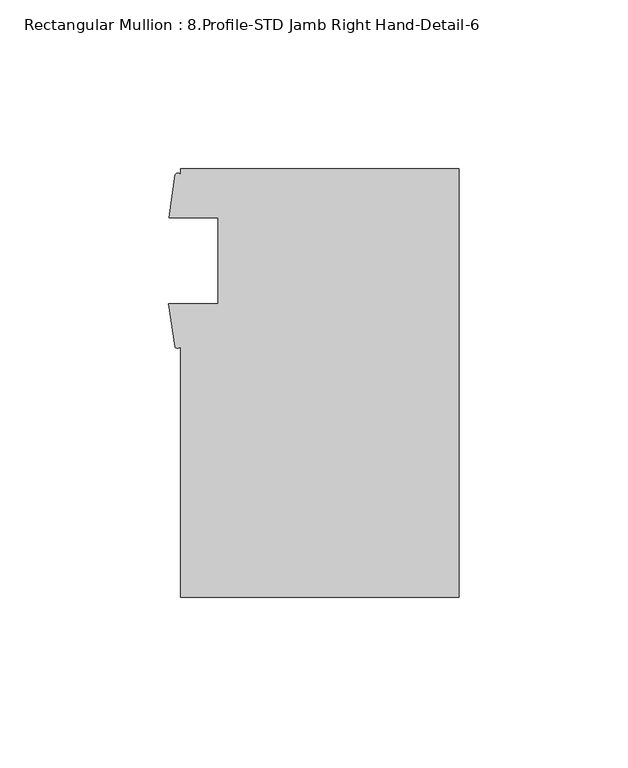
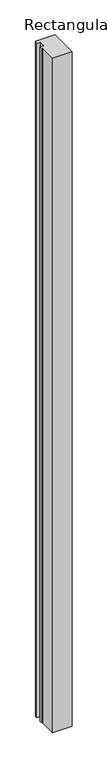
"""IFC4 building model written with IfcOpenShell, lengths in millimetres: member geometry, Rectangular Mullion : 8.Profile-STD Jamb Right Hand-Detail-6."""

from ifc_helpers import new_model, si_unit, point, frame, frame_2d, origin, place, context, project, spatial, polyline, circle_curve, trimmed, segment, composite_curve, outline, extrude, source, transform, mapped, element, save


def rectangular_mullion_8_profile_std_jamb_right_hand_detail_6_f8bd1e7c(model_context):
    return source(origin(), model_context, "Body", "SweptSolid", [
        extrude(outline(composite_curve([segment(polyline([(0.0, -126.9882885), (-82.55, -126.9882885), (-82.55, -52.6765778)]), True, "CONTINUOUS"), segment(trimmed(circle_curve(frame_2d((-83.3817022, -52.1208243)), 1.0002952), [point((-82.55, -52.6765778))], [point((-84.2134044, -52.6765778))], False, "CARTESIAN"), True, "CONTINUOUS"), segment(polyline([(-84.2134044, -52.6765778), (-86.0686268, -39.9096836), (-71.4375, -39.9096836), (-71.4375, -14.4858832), (-85.9434996, -14.4858832), (-84.1358963, -1.7322375)]), True, "CONTINUOUS"), segment(trimmed(circle_curve(frame_2d((-83.3429481, -2.188196)), 0.9146939), [point((-84.1358963, -1.7322375))], [point((-82.55, -1.7322375))], False, "CARTESIAN"), True, "CONTINUOUS"), segment(polyline([(-82.55, -1.7322375), (-82.55, 0.0176419), (0.0, 0.0176419), (0.0, -126.9882885)]), True, "CONTINUOUS")], self_intersect=False)), frame((0.0, 0.0, -3048.0), z_axis=(0.0, 0.0, 1.0), x_axis=(1.0, 0.0, 0.0)), (0.0, 0.0, 1.0), 3048.0),
    ])


if __name__ == "__main__":
    model = new_model("IFC4")
    model_context = context("Model", 3, world=origin())
    ifc_project = project(units=[si_unit("LENGTHUNIT", "METRE", prefix="MILLI")], contexts=[model_context])
    site = spatial("IfcSite", under=ifc_project)
    building = spatial("IfcBuilding", under=site)
    placement = place(None, origin())
    rectangular_mullion_8_profile_std_jamb_right_hand_detail_6_shape = rectangular_mullion_8_profile_std_jamb_right_hand_detail_6_f8bd1e7c(model_context)
    element("IfcMember", 1, ObjectType="Rectangular Mullion : 8.Profile-STD Jamb Right Hand-Detail-6", at=placement, inside=building, context=model_context, shape_type="MappedRepresentation", body=[
        mapped(rectangular_mullion_8_profile_std_jamb_right_hand_detail_6_shape, transform((0.0, 0.0, 0.0), x_axis=(1.0, 0.0, 0.0), y_axis=(0.0, 1.0, 0.0), z_axis=(0.0, 0.0, 1.0))),
    ])
    save(model, "model.ifc")
